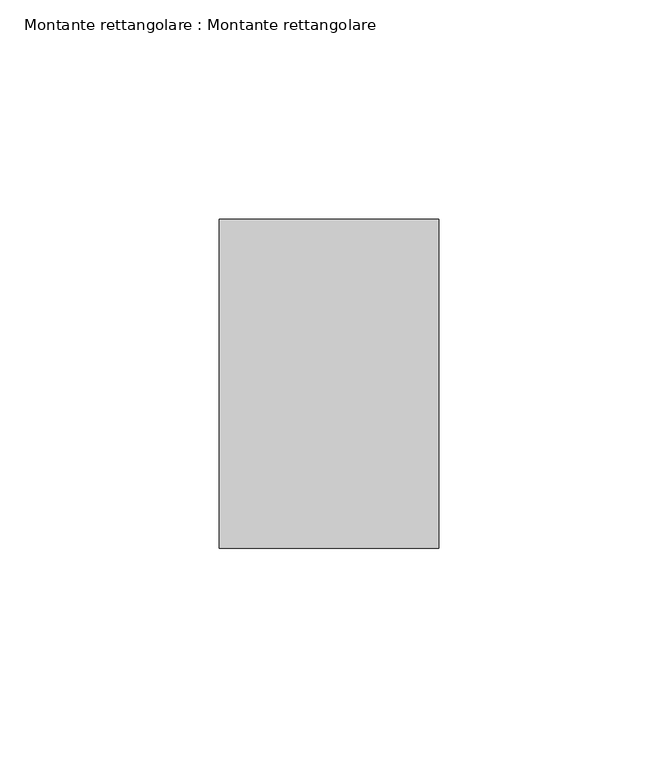
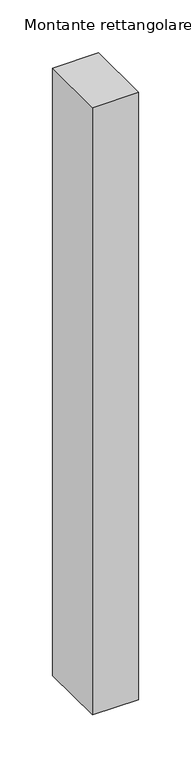
"""IFC4 building model written with IfcOpenShell, lengths in millimetres: member geometry, Montante rettangolare : Montante rettangolare."""

from ifc_helpers import new_model, si_unit, origin, place, context, project, spatial, faceted_brep, source, transform, mapped, element, save


def montante_rettangolare_montante_rettangolare_a2624adf(model_context):
    return source(origin(), model_context, "Body", "Brep", [
        faceted_brep([(0.0, 37.5, 0.0), (-50.0, 37.5, 0.0), (-50.0, -37.5, 0.0), (0.0, -37.5, 0.0), (0.0, 37.5, -700.1582918), (-50.0, 37.5, -700.1582918), (-50.0, -37.3940508, -699.841893), (0.0, -37.5, -699.8414454)], [[[0, 1, 2, 3]], [[1, 0, 4, 5]], [[2, 1, 5, 6]], [[3, 2, 6, 7]], [[0, 3, 7, 4]], [[4, 7, 6, 5]]]),
    ])


if __name__ == "__main__":
    model = new_model("IFC4")
    model_context = context("Model", 3, world=origin())
    ifc_project = project(units=[si_unit("LENGTHUNIT", "METRE", prefix="MILLI")], contexts=[model_context])
    site = spatial("IfcSite", under=ifc_project)
    building = spatial("IfcBuilding", under=site)
    placement = place(None, origin())
    montante_rettangolare_montante_rettangolare_shape = montante_rettangolare_montante_rettangolare_a2624adf(model_context)
    element("IfcMember", 1, ObjectType="Montante rettangolare : Montante rettangolare", at=placement, inside=building, context=model_context, shape_type="MappedRepresentation", body=[
        mapped(montante_rettangolare_montante_rettangolare_shape, transform((0.0, 0.0, 0.0), x_axis=(1.0, 0.0, 0.0), y_axis=(0.0, 1.0, 0.0), z_axis=(0.0, 0.0, 1.0))),
    ])
    save(model, "model.ifc")
